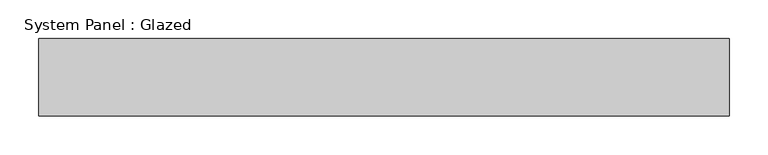
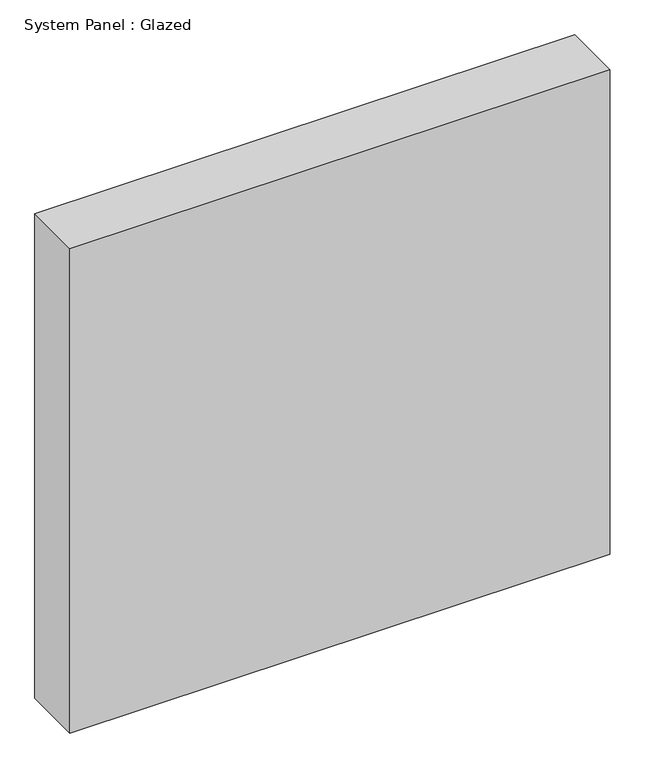
"""IFC4 building model written with IfcOpenShell, lengths in millimetres: plate geometry, System Panel : Glazed."""

from ifc_helpers import new_model, si_unit, origin, origin_with_axes, place, context, project, spatial, polyline, outline, extrude, source, transform, mapped, element, save


def system_panel_glazed_95c73d66(model_context):
    return source(origin(), model_context, "Body", "SweptSolid", [
        extrude(outline(polyline([(445.8333333, 50.0), (-445.8333333, 50.0), (-445.8333333, 150.0), (445.8333333, 150.0), (445.8333333, 50.0)])), origin_with_axes(), (0.0, 0.0, 1.0), 845.0),
    ])


if __name__ == "__main__":
    model = new_model("IFC4")
    model_context = context("Model", 3, world=origin())
    ifc_project = project(units=[si_unit("LENGTHUNIT", "METRE", prefix="MILLI")], contexts=[model_context])
    site = spatial("IfcSite", under=ifc_project)
    building = spatial("IfcBuilding", under=site)
    placement = place(None, origin())
    system_panel_glazed_shape = system_panel_glazed_95c73d66(model_context)
    element("IfcPlate", 1, ObjectType="System Panel : Glazed", at=placement, inside=building, context=model_context, shape_type="MappedRepresentation", body=[
        mapped(system_panel_glazed_shape, transform((0.0, 0.0, 0.0), x_axis=(1.0, 0.0, 0.0), y_axis=(0.0, 1.0, 0.0), z_axis=(0.0, 0.0, 1.0))),
    ])
    save(model, "model.ifc")
